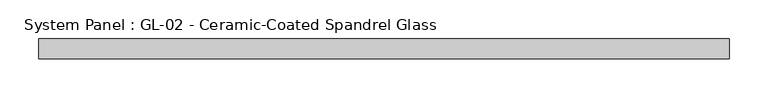
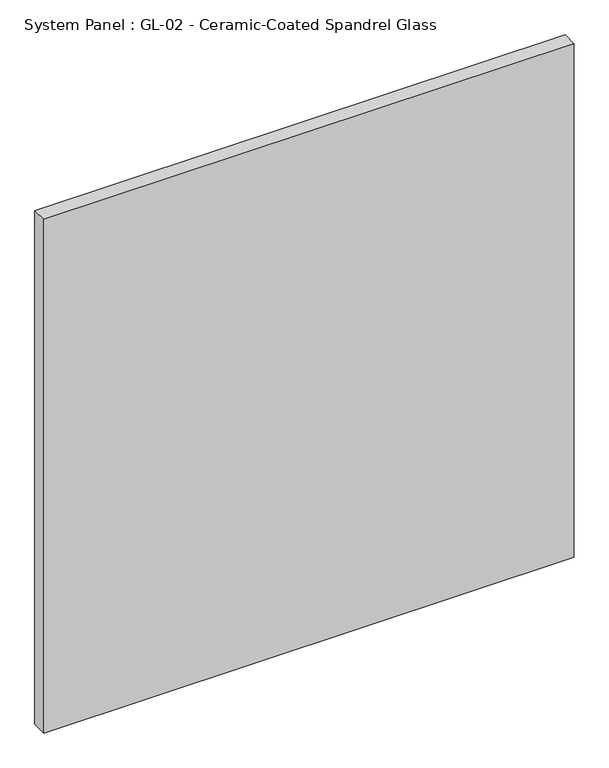
"""IFC4 building model written with IfcOpenShell, lengths in millimetres: plate geometry, System Panel : GL-02 - Ceramic-Coated Spandrel Glass."""

from ifc_helpers import new_model, si_unit, origin, origin_with_axes, place, context, project, spatial, polyline, outline, extrude, source, transform, mapped, element, save


def system_panel_gl_02_ceramic_coated_spandrel_glass_26f4bdf7(model_context):
    return source(origin(), model_context, "Body", "SweptSolid", [
        extrude(outline(polyline([(442.3833333, 19.05), (-442.3833333, 19.05), (-442.3833333, 44.45), (442.3833333, 44.45), (442.3833333, 19.05)])), origin_with_axes(), (0.0, 0.0, 1.0), 905.6076923),
    ])


if __name__ == "__main__":
    model = new_model("IFC4")
    model_context = context("Model", 3, world=origin())
    ifc_project = project(units=[si_unit("LENGTHUNIT", "METRE", prefix="MILLI")], contexts=[model_context])
    site = spatial("IfcSite", under=ifc_project)
    building = spatial("IfcBuilding", under=site)
    placement = place(None, origin())
    system_panel_gl_02_ceramic_coated_spandrel_glass_shape = system_panel_gl_02_ceramic_coated_spandrel_glass_26f4bdf7(model_context)
    element("IfcPlate", 1, ObjectType="System Panel : GL-02 - Ceramic-Coated Spandrel Glass", at=placement, inside=building, context=model_context, shape_type="MappedRepresentation", body=[
        mapped(system_panel_gl_02_ceramic_coated_spandrel_glass_shape, transform((0.0, 0.0, 0.0), x_axis=(1.0, 0.0, 0.0), y_axis=(0.0, 1.0, 0.0), z_axis=(0.0, 0.0, 1.0))),
    ])
    save(model, "model.ifc")
